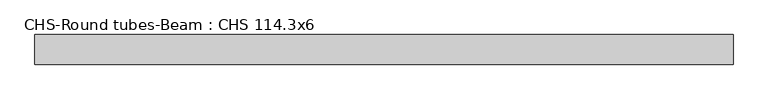
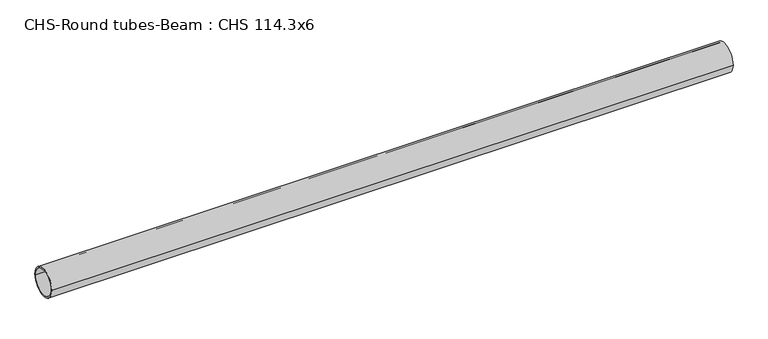
"""IFC4 building model written with IfcOpenShell, lengths in millimetres: beam geometry, CHS-Round tubes-Beam : CHS 114.3x6."""

from ifc_helpers import new_model, si_unit, point, frame, origin, origin_2d, place, context, project, spatial, circle_curve, trimmed, segment, composite_curve, outline, extrude, source, transform, mapped, element, save


def chs_round_tubes_beam_chs_114_3x6_d3ab71a9(model_context):
    return source(origin(), model_context, "Body", "SweptSolid", [
        extrude(outline(composite_curve([segment(trimmed(circle_curve(origin_2d(), 57.15), [point((57.15, 0.0))], [point((-57.15, 0.0))], False, "CARTESIAN"), True, "CONTINUOUS"), segment(trimmed(circle_curve(origin_2d(), 57.15), [point((-57.15, 0.0))], [point((57.15, 0.0))], False, "CARTESIAN"), True, "CONTINUOUS")], self_intersect=False), holes=[composite_curve([segment(trimmed(circle_curve(origin_2d(), 51.15), [point((51.15, 0.0))], [point((-51.15, 0.0))], True, "CARTESIAN"), True, "CONTINUOUS"), segment(trimmed(circle_curve(origin_2d(), 51.15), [point((-51.15, 0.0))], [point((51.15, 0.0))], True, "CARTESIAN"), True, "CONTINUOUS")], self_intersect=False)]), frame((-1293.6608194, 0.0, 0.0), z_axis=(1.0, 0.0, 0.0), x_axis=(0.0, 1.0, 0.0)), (0.0, 0.0, 1.0), 2690.9303992),
    ])


if __name__ == "__main__":
    model = new_model("IFC4")
    model_context = context("Model", 3, world=origin())
    ifc_project = project(units=[si_unit("LENGTHUNIT", "METRE", prefix="MILLI")], contexts=[model_context])
    site = spatial("IfcSite", under=ifc_project)
    building = spatial("IfcBuilding", under=site)
    placement = place(None, origin())
    chs_round_tubes_beam_chs_114_3x6_shape = chs_round_tubes_beam_chs_114_3x6_d3ab71a9(model_context)
    element("IfcBeam", 1, ObjectType="CHS-Round tubes-Beam : CHS 114.3x6", at=placement, inside=building, context=model_context, shape_type="MappedRepresentation", body=[
        mapped(chs_round_tubes_beam_chs_114_3x6_shape, transform((0.0, 0.0, 0.0), x_axis=(1.0, 0.0, 0.0), y_axis=(0.0, 1.0, 0.0), z_axis=(0.0, 0.0, 1.0))),
    ])
    save(model, "model.ifc")
